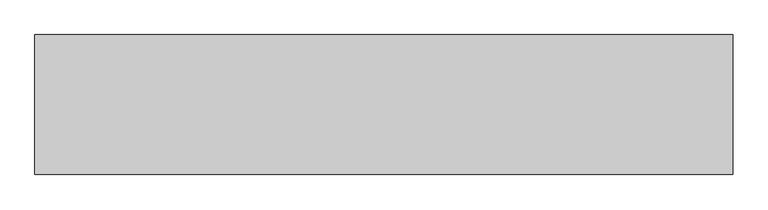
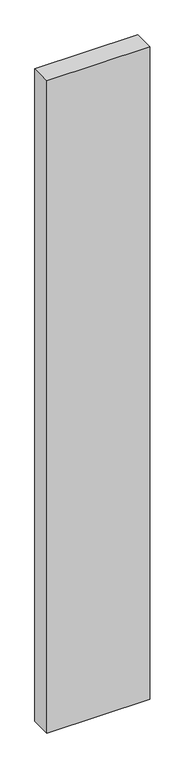
"""IFC4 building model written with IfcOpenShell, lengths in millimetres: proxy geometry."""

from ifc_helpers import new_model, si_unit, origin, origin_with_axes, place, context, project, spatial, polyline, outline, extrude, source, transform, mapped, element, save


def generic_models_6365d2d5(model_context):
    return source(origin(), model_context, "Body", "SweptSolid", [
        extrude(outline(polyline([(1000.0, 200.0), (1000.0, 0.0), (0.0, 0.0), (0.0, 200.0), (1000.0, 200.0)])), origin_with_axes(), (0.0, 0.0, 1.0), 6700.0),
    ])


if __name__ == "__main__":
    model = new_model("IFC4")
    model_context = context("Model", 3, world=origin())
    ifc_project = project(units=[si_unit("LENGTHUNIT", "METRE", prefix="MILLI")], contexts=[model_context])
    site = spatial("IfcSite", under=ifc_project)
    building = spatial("IfcBuilding", under=site)
    placement = place(None, origin())
    generic_models_shape = generic_models_6365d2d5(model_context)
    element("IfcBuildingElementProxy", 1, Name="Generic Models", at=placement, inside=building, context=model_context, shape_type="MappedRepresentation", body=[
        mapped(generic_models_shape, transform((0.0, 0.0, 0.0), x_axis=(1.0, 0.0, 0.0), y_axis=(0.0, 1.0, 0.0), z_axis=(0.0, 0.0, 1.0))),
    ])
    save(model, "model.ifc")
